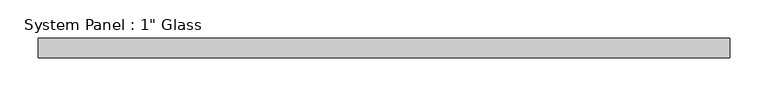
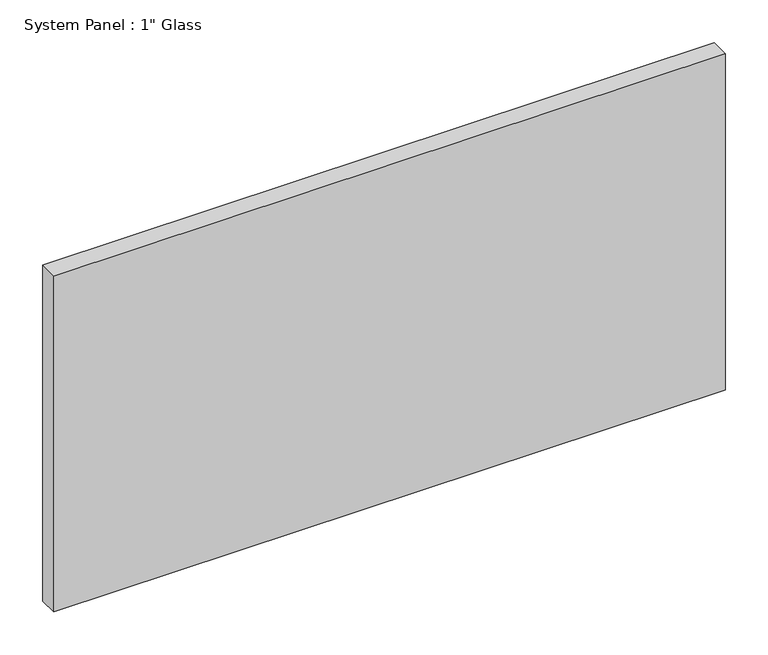
"""IFC4 building model written with IfcOpenShell, lengths in millimetres: plate geometry."""

import ifcopenshell
import ifcopenshell.guid

model = None  # the IFC model being written
_history = None  # IfcOwnerHistory: only IFC2X3 demands one
_inside = {}  # id of a spatial element -> (the spatial element, [elements in it])
_under = {}  # id of a project, library or spatial element -> (it, [spatial elements below it])
_declared = {}  # id of a project -> (the project, [libraries it declares])
_typed = {}  # id of a type object -> (the type object, [elements of that type])
_made_of = {}  # id of a material, layer set ... -> (it, [elements and type objects made of it])


def new_model(schema):
    """Start an empty IFC model of exactly this schema.

    Asked for "IFC4X3", IfcOpenShell would pick the latest addendum, in which some entities
    have other attributes; the version numbers below select the first issue.
    IFC2X3 requires an IfcOwnerHistory on every rooted entity: one is made here for all.
    """
    global model, _history
    if schema == "IFC4X3":
        model = ifcopenshell.file(schema_version=(4, 3, 0, 0))
    else:
        model = ifcopenshell.file(schema=schema)
    _inside.clear()
    _under.clear()
    _declared.clear()
    _typed.clear()
    _made_of.clear()
    _history = None
    if model.schema == "IFC2X3":
        org = make("IfcOrganization", Name="unknown")
        user = make(
            "IfcPersonAndOrganization",
            ThePerson=make("IfcPerson", FamilyName="unknown"),
            TheOrganization=org,
        )
        app = make(
            "IfcApplication",
            ApplicationDeveloper=org,
            Version="unknown",
            ApplicationFullName="unknown",
            ApplicationIdentifier="unknown",
        )
        _history = make(
            "IfcOwnerHistory",
            OwningUser=user,
            OwningApplication=app,
            ChangeAction="ADDED",
            CreationDate=0,
        )
    return model


def make(cls, **values):
    """One entity of the class cls with the attributes given. An attribute that is None is left unset."""
    return model.create_entity(
        cls, **{name: value for name, value in values.items() if value is not None}
    )


def rooted(cls, **values):
    """An entity with a GlobalId (a new one), such as an element, a storey or a relation."""
    return make(cls, GlobalId=ifcopenshell.guid.new(), OwnerHistory=_history, **values)


def si_unit(unit_type, name, prefix=None):
    """IfcSIUnit, for example si_unit("LENGTHUNIT", "METRE", prefix="MILLI")."""
    return make("IfcSIUnit", UnitType=unit_type, Prefix=prefix, Name=name)


def assignment(units):
    """IfcUnitAssignment: the units of a project."""
    return None if units is None else make("IfcUnitAssignment", Units=units)


def point(xyz):
    """IfcCartesianPoint."""
    return None if xyz is None else make("IfcCartesianPoint", Coordinates=xyz)


def direction(xyz):
    """IfcDirection."""
    return None if xyz is None else make("IfcDirection", DirectionRatios=xyz)


def frame(location, z_axis=None, x_axis=None):
    """IfcAxis2Placement3D, a coordinate frame: its origin and axes. An axis left out is left unset."""
    return make(
        "IfcAxis2Placement3D",
        Location=point(location),
        Axis=direction(z_axis),
        RefDirection=direction(x_axis),
    )


def origin():
    """The frame at (0, 0, 0) with its axes left unset."""
    return frame((0.0, 0.0, 0.0))


def origin_with_axes():
    """The frame at (0, 0, 0) with the z axis (0, 0, 1) and the x axis (1, 0, 0) written out."""
    return frame((0.0, 0.0, 0.0), z_axis=(0.0, 0.0, 1.0), x_axis=(1.0, 0.0, 0.0))


def place(relative_to, where):
    """IfcLocalPlacement: puts the frame where relative to a parent placement (None: the world)."""
    return make(
        "IfcLocalPlacement", PlacementRelTo=relative_to, RelativePlacement=where
    )


def context(
    kind, dimensions, precision=None, world=None, true_north=None, identifier=None
):
    """IfcGeometricRepresentationContext, for example the 3D "Model" context."""
    return make(
        "IfcGeometricRepresentationContext",
        ContextIdentifier=identifier,
        ContextType=kind,
        CoordinateSpaceDimension=dimensions,
        Precision=precision,
        WorldCoordinateSystem=world,
        TrueNorth=true_north,
    )


def project(units=None, contexts=None):
    """IfcProject with its units and contexts."""
    return rooted(
        "IfcProject",
        Name="project",
        RepresentationContexts=contexts,
        UnitsInContext=assignment(units),
    )


def spatial(cls, under=None, at=None, **own):
    """A site, building, storey or space (cls), placed at a placement, below another one or the project."""
    s = rooted(cls, ObjectPlacement=at, **own)
    if under is not None:
        _under.setdefault(under.id(), (under, []))[1].append(s)
    return s


def polyline(points):
    """IfcPolyline through the points."""
    return make("IfcPolyline", Points=[point(p) for p in points])


def outline(outer, holes=None, kind="AREA"):
    """IfcArbitraryClosedProfileDef: a profile drawn as a closed curve; with holes, ...WithVoids."""
    if holes is None:
        return make("IfcArbitraryClosedProfileDef", ProfileType=kind, OuterCurve=outer)
    return make(
        "IfcArbitraryProfileDefWithVoids",
        ProfileType=kind,
        OuterCurve=outer,
        InnerCurves=holes,
    )


def extrude(swept, where, along, depth):
    """IfcExtrudedAreaSolid: the profile swept, set in the frame where, extruded along a direction by depth."""
    return make(
        "IfcExtrudedAreaSolid",
        SweptArea=swept,
        Position=where,
        ExtrudedDirection=direction(along),
        Depth=depth,
    )


def shape(context_of_items, identifier, shape_type, items):
    """IfcShapeRepresentation: the items that make up one representation, for example the "Body"."""
    return make(
        "IfcShapeRepresentation",
        ContextOfItems=context_of_items,
        RepresentationIdentifier=identifier,
        RepresentationType=shape_type,
        Items=items,
    )


def source(mapping_origin, context_of_items, identifier, shape_type, items):
    """IfcRepresentationMap: a shape defined once, which mapped items show again and again."""
    return make(
        "IfcRepresentationMap",
        MappingOrigin=mapping_origin,
        MappedRepresentation=shape(context_of_items, identifier, shape_type, items),
    )


def transform(
    local_origin,
    x_axis=None,
    y_axis=None,
    z_axis=None,
    scale=None,
    scale2=None,
    scale3=None,
    uniform=True,
):
    """IfcCartesianTransformationOperator3D, or its non-uniform kind. x_axis, y_axis, z_axis: its Axis1, 2, 3."""
    if uniform:
        return make(
            "IfcCartesianTransformationOperator3D",
            Axis1=direction(x_axis),
            Axis2=direction(y_axis),
            LocalOrigin=point(local_origin),
            Scale=scale,
            Axis3=direction(z_axis),
        )
    return make(
        "IfcCartesianTransformationOperator3DnonUniform",
        Axis1=direction(x_axis),
        Axis2=direction(y_axis),
        LocalOrigin=point(local_origin),
        Scale=scale,
        Axis3=direction(z_axis),
        Scale2=scale2,
        Scale3=scale3,
    )


def mapped(mapping_source, mapping_target):
    """IfcMappedItem: shows the shape of a source again, moved by a transform."""
    return make(
        "IfcMappedItem", MappingSource=mapping_source, MappingTarget=mapping_target
    )


def made_of(thing, what):
    """Note that an element or type object is made of a material, layer set ...; save() writes the relation."""
    if what is not None:
        _made_of.setdefault(what.id(), (what, []))[1].append(thing)
    return thing


def element(
    cls,
    number,
    at=None,
    inside=None,
    cuts=None,
    type_object=None,
    material=None,
    context=None,
    identifier="Body",
    shape_type=None,
    held_by="IfcProductDefinitionShape",
    body=None,
    shapes=None,
    **own,
):
    """One element of the class cls, such as IfcWall. Its Tag is "e" and its number.

    at: its placement. inside: the storey or other place that contains it. cuts: it is an
    opening in that element (IfcRelVoidsElement). A single representation is given by context,
    identifier, shape_type and body (its items); several are given by shapes. held_by: the class
    of the entity that holds the representations. save() writes the other relations.
    """
    e = rooted(cls, Tag="e%d" % number, ObjectPlacement=at, **own)
    if body is not None:
        shapes = [shape(context, identifier, shape_type, body)]
    if shapes is not None:
        e.Representation = make(held_by, Representations=shapes)
    if inside is not None:
        _inside.setdefault(inside.id(), (inside, []))[1].append(e)
    if cuts is not None:
        rooted(
            "IfcRelVoidsElement", RelatingBuildingElement=cuts, RelatedOpeningElement=e
        )
    if type_object is not None:
        _typed.setdefault(type_object.id(), (type_object, []))[1].append(e)
    return made_of(e, material)


def aggregate(whole, parts):
    """IfcRelAggregates: a whole, such as a stair, and the parts it consists of."""
    return rooted("IfcRelAggregates", RelatingObject=whole, RelatedObjects=parts)


def save(model, path):
    """Write the relations noted so far, then the file.

    IfcRelAggregates (storeys below a building ...), IfcRelContainedInSpatialStructure (elements
    in a storey), IfcRelDefinesByType, IfcRelAssociatesMaterial and IfcRelDeclares: one each for
    every whole, place, type object, material and project.
    """
    for whole, parts in _under.values():
        aggregate(whole, parts)
    for where, things in _inside.values():
        rooted(
            "IfcRelContainedInSpatialStructure",
            RelatedElements=things,
            RelatingStructure=where,
        )
    for kind, things in _typed.values():
        rooted("IfcRelDefinesByType", RelatedObjects=things, RelatingType=kind)
    for what, things in _made_of.values():
        rooted("IfcRelAssociatesMaterial", RelatedObjects=things, RelatingMaterial=what)
    for by, libraries in _declared.values():
        rooted("IfcRelDeclares", RelatingContext=by, RelatedDefinitions=libraries)
    model.write(path)


def plate_35bd582a(model_context):
    return source(origin(), model_context, "Body", "SweptSolid", [
        extrude(outline(polyline([(452.4375, -12.7), (-452.4375, -12.7), (-452.4375, 12.7), (452.4375, 12.7), (452.4375, -12.7)])), origin_with_axes(), (0.0, 0.0, 1.0), 479.425),
    ])


if __name__ == "__main__":
    model = new_model("IFC4")
    model_context = context("Model", 3, world=origin())
    ifc_project = project(units=[si_unit("LENGTHUNIT", "METRE", prefix="MILLI")], contexts=[model_context])
    site = spatial("IfcSite", under=ifc_project)
    building = spatial("IfcBuilding", under=site)
    placement = place(None, origin())
    plate_shape = plate_35bd582a(model_context)
    element("IfcPlate", 1, ObjectType="System Panel : 1\" Glass", at=placement, inside=building, context=model_context, shape_type="MappedRepresentation", body=[
        mapped(plate_shape, transform((0.0, 0.0, 0.0), x_axis=(1.0, 0.0, 0.0), y_axis=(0.0, 1.0, 0.0), z_axis=(0.0, 0.0, 1.0))),
    ])
    save(model, "model.ifc")
